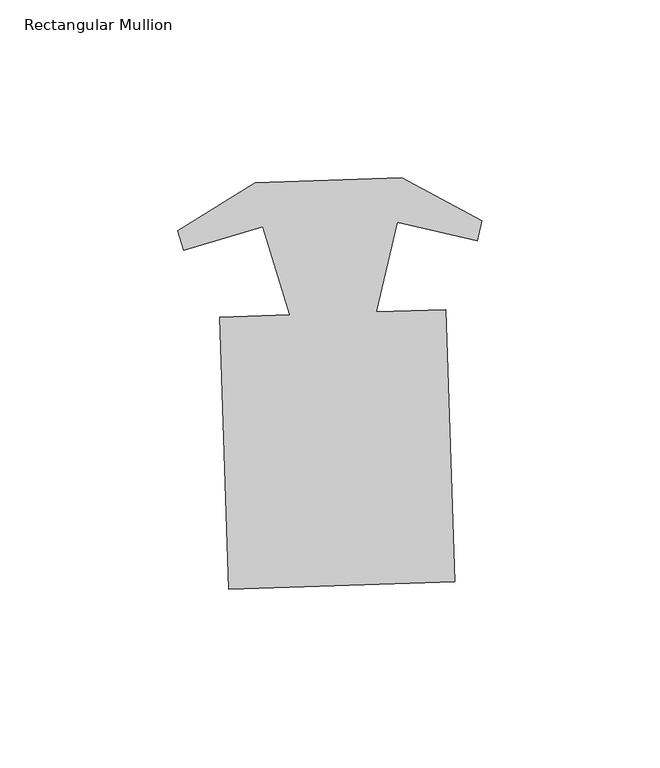
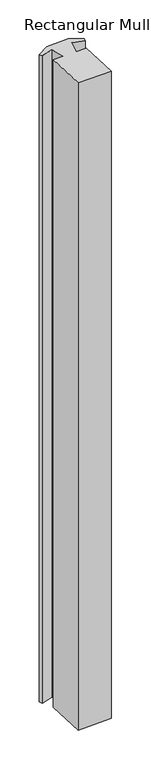
"""IFC4 building model written with IfcOpenShell, lengths in millimetres: member geometry, Rectangular Mullion."""

import ifcopenshell
import ifcopenshell.guid

model = None  # the IFC model being written
_history = None  # IfcOwnerHistory: only IFC2X3 demands one
_inside = {}  # id of a spatial element -> (the spatial element, [elements in it])
_under = {}  # id of a project, library or spatial element -> (it, [spatial elements below it])
_declared = {}  # id of a project -> (the project, [libraries it declares])
_typed = {}  # id of a type object -> (the type object, [elements of that type])
_made_of = {}  # id of a material, layer set ... -> (it, [elements and type objects made of it])


def new_model(schema):
    """Start an empty IFC model of exactly this schema.

    Asked for "IFC4X3", IfcOpenShell would pick the latest addendum, in which some entities
    have other attributes; the version numbers below select the first issue.
    IFC2X3 requires an IfcOwnerHistory on every rooted entity: one is made here for all.
    """
    global model, _history
    if schema == "IFC4X3":
        model = ifcopenshell.file(schema_version=(4, 3, 0, 0))
    else:
        model = ifcopenshell.file(schema=schema)
    _inside.clear()
    _under.clear()
    _declared.clear()
    _typed.clear()
    _made_of.clear()
    _history = None
    if model.schema == "IFC2X3":
        org = make("IfcOrganization", Name="unknown")
        user = make(
            "IfcPersonAndOrganization",
            ThePerson=make("IfcPerson", FamilyName="unknown"),
            TheOrganization=org,
        )
        app = make(
            "IfcApplication",
            ApplicationDeveloper=org,
            Version="unknown",
            ApplicationFullName="unknown",
            ApplicationIdentifier="unknown",
        )
        _history = make(
            "IfcOwnerHistory",
            OwningUser=user,
            OwningApplication=app,
            ChangeAction="ADDED",
            CreationDate=0,
        )
    return model


def make(cls, **values):
    """One entity of the class cls with the attributes given. An attribute that is None is left unset."""
    return model.create_entity(
        cls, **{name: value for name, value in values.items() if value is not None}
    )


def rooted(cls, **values):
    """An entity with a GlobalId (a new one), such as an element, a storey or a relation."""
    return make(cls, GlobalId=ifcopenshell.guid.new(), OwnerHistory=_history, **values)


def si_unit(unit_type, name, prefix=None):
    """IfcSIUnit, for example si_unit("LENGTHUNIT", "METRE", prefix="MILLI")."""
    return make("IfcSIUnit", UnitType=unit_type, Prefix=prefix, Name=name)


def assignment(units):
    """IfcUnitAssignment: the units of a project."""
    return None if units is None else make("IfcUnitAssignment", Units=units)


def point(xyz):
    """IfcCartesianPoint."""
    return None if xyz is None else make("IfcCartesianPoint", Coordinates=xyz)


def direction(xyz):
    """IfcDirection."""
    return None if xyz is None else make("IfcDirection", DirectionRatios=xyz)


def frame(location, z_axis=None, x_axis=None):
    """IfcAxis2Placement3D, a coordinate frame: its origin and axes. An axis left out is left unset."""
    return make(
        "IfcAxis2Placement3D",
        Location=point(location),
        Axis=direction(z_axis),
        RefDirection=direction(x_axis),
    )


def origin():
    """The frame at (0, 0, 0) with its axes left unset."""
    return frame((0.0, 0.0, 0.0))


def place(relative_to, where):
    """IfcLocalPlacement: puts the frame where relative to a parent placement (None: the world)."""
    return make(
        "IfcLocalPlacement", PlacementRelTo=relative_to, RelativePlacement=where
    )


def context(
    kind, dimensions, precision=None, world=None, true_north=None, identifier=None
):
    """IfcGeometricRepresentationContext, for example the 3D "Model" context."""
    return make(
        "IfcGeometricRepresentationContext",
        ContextIdentifier=identifier,
        ContextType=kind,
        CoordinateSpaceDimension=dimensions,
        Precision=precision,
        WorldCoordinateSystem=world,
        TrueNorth=true_north,
    )


def project(units=None, contexts=None):
    """IfcProject with its units and contexts."""
    return rooted(
        "IfcProject",
        Name="project",
        RepresentationContexts=contexts,
        UnitsInContext=assignment(units),
    )


def spatial(cls, under=None, at=None, **own):
    """A site, building, storey or space (cls), placed at a placement, below another one or the project."""
    s = rooted(cls, ObjectPlacement=at, **own)
    if under is not None:
        _under.setdefault(under.id(), (under, []))[1].append(s)
    return s


def polyline(points):
    """IfcPolyline through the points."""
    return make("IfcPolyline", Points=[point(p) for p in points])


def outline(outer, holes=None, kind="AREA"):
    """IfcArbitraryClosedProfileDef: a profile drawn as a closed curve; with holes, ...WithVoids."""
    if holes is None:
        return make("IfcArbitraryClosedProfileDef", ProfileType=kind, OuterCurve=outer)
    return make(
        "IfcArbitraryProfileDefWithVoids",
        ProfileType=kind,
        OuterCurve=outer,
        InnerCurves=holes,
    )


def extrude(swept, where, along, depth):
    """IfcExtrudedAreaSolid: the profile swept, set in the frame where, extruded along a direction by depth."""
    return make(
        "IfcExtrudedAreaSolid",
        SweptArea=swept,
        Position=where,
        ExtrudedDirection=direction(along),
        Depth=depth,
    )


def shape(context_of_items, identifier, shape_type, items):
    """IfcShapeRepresentation: the items that make up one representation, for example the "Body"."""
    return make(
        "IfcShapeRepresentation",
        ContextOfItems=context_of_items,
        RepresentationIdentifier=identifier,
        RepresentationType=shape_type,
        Items=items,
    )


def source(mapping_origin, context_of_items, identifier, shape_type, items):
    """IfcRepresentationMap: a shape defined once, which mapped items show again and again."""
    return make(
        "IfcRepresentationMap",
        MappingOrigin=mapping_origin,
        MappedRepresentation=shape(context_of_items, identifier, shape_type, items),
    )


def transform(
    local_origin,
    x_axis=None,
    y_axis=None,
    z_axis=None,
    scale=None,
    scale2=None,
    scale3=None,
    uniform=True,
):
    """IfcCartesianTransformationOperator3D, or its non-uniform kind. x_axis, y_axis, z_axis: its Axis1, 2, 3."""
    if uniform:
        return make(
            "IfcCartesianTransformationOperator3D",
            Axis1=direction(x_axis),
            Axis2=direction(y_axis),
            LocalOrigin=point(local_origin),
            Scale=scale,
            Axis3=direction(z_axis),
        )
    return make(
        "IfcCartesianTransformationOperator3DnonUniform",
        Axis1=direction(x_axis),
        Axis2=direction(y_axis),
        LocalOrigin=point(local_origin),
        Scale=scale,
        Axis3=direction(z_axis),
        Scale2=scale2,
        Scale3=scale3,
    )


def mapped(mapping_source, mapping_target):
    """IfcMappedItem: shows the shape of a source again, moved by a transform."""
    return make(
        "IfcMappedItem", MappingSource=mapping_source, MappingTarget=mapping_target
    )


def made_of(thing, what):
    """Note that an element or type object is made of a material, layer set ...; save() writes the relation."""
    if what is not None:
        _made_of.setdefault(what.id(), (what, []))[1].append(thing)
    return thing


def element(
    cls,
    number,
    at=None,
    inside=None,
    cuts=None,
    type_object=None,
    material=None,
    context=None,
    identifier="Body",
    shape_type=None,
    held_by="IfcProductDefinitionShape",
    body=None,
    shapes=None,
    **own,
):
    """One element of the class cls, such as IfcWall. Its Tag is "e" and its number.

    at: its placement. inside: the storey or other place that contains it. cuts: it is an
    opening in that element (IfcRelVoidsElement). A single representation is given by context,
    identifier, shape_type and body (its items); several are given by shapes. held_by: the class
    of the entity that holds the representations. save() writes the other relations.
    """
    e = rooted(cls, Tag="e%d" % number, ObjectPlacement=at, **own)
    if body is not None:
        shapes = [shape(context, identifier, shape_type, body)]
    if shapes is not None:
        e.Representation = make(held_by, Representations=shapes)
    if inside is not None:
        _inside.setdefault(inside.id(), (inside, []))[1].append(e)
    if cuts is not None:
        rooted(
            "IfcRelVoidsElement", RelatingBuildingElement=cuts, RelatedOpeningElement=e
        )
    if type_object is not None:
        _typed.setdefault(type_object.id(), (type_object, []))[1].append(e)
    return made_of(e, material)


def aggregate(whole, parts):
    """IfcRelAggregates: a whole, such as a stair, and the parts it consists of."""
    return rooted("IfcRelAggregates", RelatingObject=whole, RelatedObjects=parts)


def save(model, path):
    """Write the relations noted so far, then the file.

    IfcRelAggregates (storeys below a building ...), IfcRelContainedInSpatialStructure (elements
    in a storey), IfcRelDefinesByType, IfcRelAssociatesMaterial and IfcRelDeclares: one each for
    every whole, place, type object, material and project.
    """
    for whole, parts in _under.values():
        aggregate(whole, parts)
    for where, things in _inside.values():
        rooted(
            "IfcRelContainedInSpatialStructure",
            RelatedElements=things,
            RelatingStructure=where,
        )
    for kind, things in _typed.values():
        rooted("IfcRelDefinesByType", RelatedObjects=things, RelatingType=kind)
    for what, things in _made_of.values():
        rooted("IfcRelAssociatesMaterial", RelatedObjects=things, RelatingMaterial=what)
    for by, libraries in _declared.values():
        rooted("IfcRelDeclares", RelatingContext=by, RelatedDefinitions=libraries)
    model.write(path)


def rectangular_mullion_511ee03a(model_context):
    return source(origin(), model_context, "Body", "SweptSolid", [
        extrude(outline(polyline([(34.4413672, -82.2616258), (-29.0251758, -84.3226722), (-31.5091489, -7.8327945), (-11.934479, -7.1971162), (-19.4476589, 17.5938811), (-41.6035387, 10.8793021), (-43.2888335, 16.4402149), (-21.5888206, 29.9262735), (19.6081352, 31.2641254), (42.1374109, 19.2143923), (40.8164626, 13.5558531), (18.2716183, 18.818797), (12.3827243, -6.4074264), (31.9573942, -5.7717481), (34.4413672, -82.2616258)])), frame((0.0, 0.0, -1283.8320888), z_axis=(0.0, 0.0, 1.0), x_axis=(1.0, 0.0, 0.0)), (0.0, 0.0, 1.0), 1283.8320888),
    ])


if __name__ == "__main__":
    model = new_model("IFC4")
    model_context = context("Model", 3, world=origin())
    ifc_project = project(units=[si_unit("LENGTHUNIT", "METRE", prefix="MILLI")], contexts=[model_context])
    site = spatial("IfcSite", under=ifc_project)
    building = spatial("IfcBuilding", under=site)
    placement = place(None, origin())
    rectangular_mullion_shape = rectangular_mullion_511ee03a(model_context)
    element("IfcMember", 1, ObjectType="Rectangular Mullion", at=placement, inside=building, context=model_context, shape_type="MappedRepresentation", body=[
        mapped(rectangular_mullion_shape, transform((0.0, 0.0, 0.0), x_axis=(1.0, 0.0, 0.0), y_axis=(0.0, 1.0, 0.0), z_axis=(0.0, 0.0, 1.0))),
    ])
    save(model, "model.ifc")
